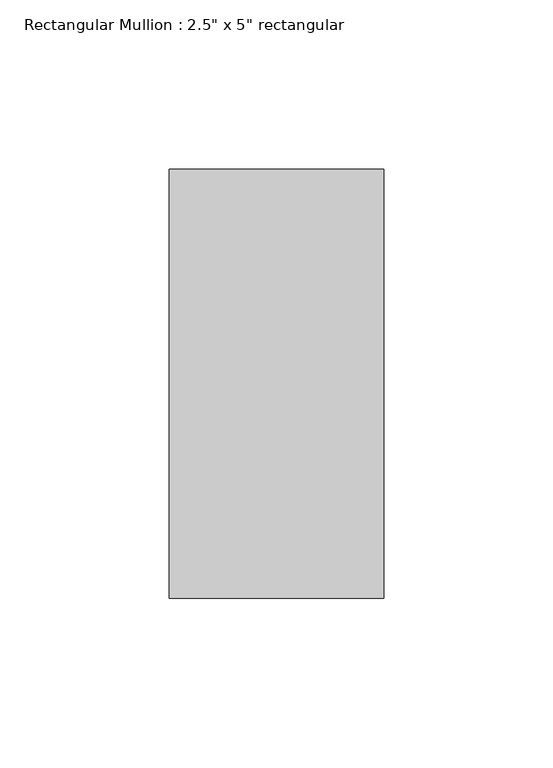
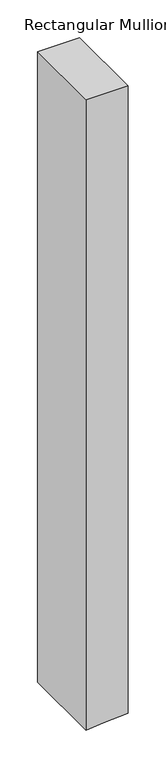
"""IFC4 building model written with IfcOpenShell, lengths in millimetres: member geometry."""

import ifcopenshell
import ifcopenshell.guid

model = None  # the IFC model being written
_history = None  # IfcOwnerHistory: only IFC2X3 demands one
_inside = {}  # id of a spatial element -> (the spatial element, [elements in it])
_under = {}  # id of a project, library or spatial element -> (it, [spatial elements below it])
_declared = {}  # id of a project -> (the project, [libraries it declares])
_typed = {}  # id of a type object -> (the type object, [elements of that type])
_made_of = {}  # id of a material, layer set ... -> (it, [elements and type objects made of it])


def new_model(schema):
    """Start an empty IFC model of exactly this schema.

    Asked for "IFC4X3", IfcOpenShell would pick the latest addendum, in which some entities
    have other attributes; the version numbers below select the first issue.
    IFC2X3 requires an IfcOwnerHistory on every rooted entity: one is made here for all.
    """
    global model, _history
    if schema == "IFC4X3":
        model = ifcopenshell.file(schema_version=(4, 3, 0, 0))
    else:
        model = ifcopenshell.file(schema=schema)
    _inside.clear()
    _under.clear()
    _declared.clear()
    _typed.clear()
    _made_of.clear()
    _history = None
    if model.schema == "IFC2X3":
        org = make("IfcOrganization", Name="unknown")
        user = make(
            "IfcPersonAndOrganization",
            ThePerson=make("IfcPerson", FamilyName="unknown"),
            TheOrganization=org,
        )
        app = make(
            "IfcApplication",
            ApplicationDeveloper=org,
            Version="unknown",
            ApplicationFullName="unknown",
            ApplicationIdentifier="unknown",
        )
        _history = make(
            "IfcOwnerHistory",
            OwningUser=user,
            OwningApplication=app,
            ChangeAction="ADDED",
            CreationDate=0,
        )
    return model


def make(cls, **values):
    """One entity of the class cls with the attributes given. An attribute that is None is left unset."""
    return model.create_entity(
        cls, **{name: value for name, value in values.items() if value is not None}
    )


def rooted(cls, **values):
    """An entity with a GlobalId (a new one), such as an element, a storey or a relation."""
    return make(cls, GlobalId=ifcopenshell.guid.new(), OwnerHistory=_history, **values)


def si_unit(unit_type, name, prefix=None):
    """IfcSIUnit, for example si_unit("LENGTHUNIT", "METRE", prefix="MILLI")."""
    return make("IfcSIUnit", UnitType=unit_type, Prefix=prefix, Name=name)


def assignment(units):
    """IfcUnitAssignment: the units of a project."""
    return None if units is None else make("IfcUnitAssignment", Units=units)


def point(xyz):
    """IfcCartesianPoint."""
    return None if xyz is None else make("IfcCartesianPoint", Coordinates=xyz)


def direction(xyz):
    """IfcDirection."""
    return None if xyz is None else make("IfcDirection", DirectionRatios=xyz)


def frame(location, z_axis=None, x_axis=None):
    """IfcAxis2Placement3D, a coordinate frame: its origin and axes. An axis left out is left unset."""
    return make(
        "IfcAxis2Placement3D",
        Location=point(location),
        Axis=direction(z_axis),
        RefDirection=direction(x_axis),
    )


def origin():
    """The frame at (0, 0, 0) with its axes left unset."""
    return frame((0.0, 0.0, 0.0))


def place(relative_to, where):
    """IfcLocalPlacement: puts the frame where relative to a parent placement (None: the world)."""
    return make(
        "IfcLocalPlacement", PlacementRelTo=relative_to, RelativePlacement=where
    )


def context(
    kind, dimensions, precision=None, world=None, true_north=None, identifier=None
):
    """IfcGeometricRepresentationContext, for example the 3D "Model" context."""
    return make(
        "IfcGeometricRepresentationContext",
        ContextIdentifier=identifier,
        ContextType=kind,
        CoordinateSpaceDimension=dimensions,
        Precision=precision,
        WorldCoordinateSystem=world,
        TrueNorth=true_north,
    )


def project(units=None, contexts=None):
    """IfcProject with its units and contexts."""
    return rooted(
        "IfcProject",
        Name="project",
        RepresentationContexts=contexts,
        UnitsInContext=assignment(units),
    )


def spatial(cls, under=None, at=None, **own):
    """A site, building, storey or space (cls), placed at a placement, below another one or the project."""
    s = rooted(cls, ObjectPlacement=at, **own)
    if under is not None:
        _under.setdefault(under.id(), (under, []))[1].append(s)
    return s


def polyline(points):
    """IfcPolyline through the points."""
    return make("IfcPolyline", Points=[point(p) for p in points])


def outline(outer, holes=None, kind="AREA"):
    """IfcArbitraryClosedProfileDef: a profile drawn as a closed curve; with holes, ...WithVoids."""
    if holes is None:
        return make("IfcArbitraryClosedProfileDef", ProfileType=kind, OuterCurve=outer)
    return make(
        "IfcArbitraryProfileDefWithVoids",
        ProfileType=kind,
        OuterCurve=outer,
        InnerCurves=holes,
    )


def extrude(swept, where, along, depth):
    """IfcExtrudedAreaSolid: the profile swept, set in the frame where, extruded along a direction by depth."""
    return make(
        "IfcExtrudedAreaSolid",
        SweptArea=swept,
        Position=where,
        ExtrudedDirection=direction(along),
        Depth=depth,
    )


def shape(context_of_items, identifier, shape_type, items):
    """IfcShapeRepresentation: the items that make up one representation, for example the "Body"."""
    return make(
        "IfcShapeRepresentation",
        ContextOfItems=context_of_items,
        RepresentationIdentifier=identifier,
        RepresentationType=shape_type,
        Items=items,
    )


def source(mapping_origin, context_of_items, identifier, shape_type, items):
    """IfcRepresentationMap: a shape defined once, which mapped items show again and again."""
    return make(
        "IfcRepresentationMap",
        MappingOrigin=mapping_origin,
        MappedRepresentation=shape(context_of_items, identifier, shape_type, items),
    )


def transform(
    local_origin,
    x_axis=None,
    y_axis=None,
    z_axis=None,
    scale=None,
    scale2=None,
    scale3=None,
    uniform=True,
):
    """IfcCartesianTransformationOperator3D, or its non-uniform kind. x_axis, y_axis, z_axis: its Axis1, 2, 3."""
    if uniform:
        return make(
            "IfcCartesianTransformationOperator3D",
            Axis1=direction(x_axis),
            Axis2=direction(y_axis),
            LocalOrigin=point(local_origin),
            Scale=scale,
            Axis3=direction(z_axis),
        )
    return make(
        "IfcCartesianTransformationOperator3DnonUniform",
        Axis1=direction(x_axis),
        Axis2=direction(y_axis),
        LocalOrigin=point(local_origin),
        Scale=scale,
        Axis3=direction(z_axis),
        Scale2=scale2,
        Scale3=scale3,
    )


def mapped(mapping_source, mapping_target):
    """IfcMappedItem: shows the shape of a source again, moved by a transform."""
    return make(
        "IfcMappedItem", MappingSource=mapping_source, MappingTarget=mapping_target
    )


def made_of(thing, what):
    """Note that an element or type object is made of a material, layer set ...; save() writes the relation."""
    if what is not None:
        _made_of.setdefault(what.id(), (what, []))[1].append(thing)
    return thing


def element(
    cls,
    number,
    at=None,
    inside=None,
    cuts=None,
    type_object=None,
    material=None,
    context=None,
    identifier="Body",
    shape_type=None,
    held_by="IfcProductDefinitionShape",
    body=None,
    shapes=None,
    **own,
):
    """One element of the class cls, such as IfcWall. Its Tag is "e" and its number.

    at: its placement. inside: the storey or other place that contains it. cuts: it is an
    opening in that element (IfcRelVoidsElement). A single representation is given by context,
    identifier, shape_type and body (its items); several are given by shapes. held_by: the class
    of the entity that holds the representations. save() writes the other relations.
    """
    e = rooted(cls, Tag="e%d" % number, ObjectPlacement=at, **own)
    if body is not None:
        shapes = [shape(context, identifier, shape_type, body)]
    if shapes is not None:
        e.Representation = make(held_by, Representations=shapes)
    if inside is not None:
        _inside.setdefault(inside.id(), (inside, []))[1].append(e)
    if cuts is not None:
        rooted(
            "IfcRelVoidsElement", RelatingBuildingElement=cuts, RelatedOpeningElement=e
        )
    if type_object is not None:
        _typed.setdefault(type_object.id(), (type_object, []))[1].append(e)
    return made_of(e, material)


def aggregate(whole, parts):
    """IfcRelAggregates: a whole, such as a stair, and the parts it consists of."""
    return rooted("IfcRelAggregates", RelatingObject=whole, RelatedObjects=parts)


def save(model, path):
    """Write the relations noted so far, then the file.

    IfcRelAggregates (storeys below a building ...), IfcRelContainedInSpatialStructure (elements
    in a storey), IfcRelDefinesByType, IfcRelAssociatesMaterial and IfcRelDeclares: one each for
    every whole, place, type object, material and project.
    """
    for whole, parts in _under.values():
        aggregate(whole, parts)
    for where, things in _inside.values():
        rooted(
            "IfcRelContainedInSpatialStructure",
            RelatedElements=things,
            RelatingStructure=where,
        )
    for kind, things in _typed.values():
        rooted("IfcRelDefinesByType", RelatedObjects=things, RelatingType=kind)
    for what, things in _made_of.values():
        rooted("IfcRelAssociatesMaterial", RelatedObjects=things, RelatingMaterial=what)
    for by, libraries in _declared.values():
        rooted("IfcRelDeclares", RelatingContext=by, RelatedDefinitions=libraries)
    model.write(path)


def member_f3ea351e(model_context):
    return source(origin(), model_context, "Body", "SweptSolid", [
        extrude(outline(polyline([(0.0, 31.75), (0.0, -31.75), (-1012.4919836, -31.75), (-1010.3785354, -5.001701), (-1007.4746942, 31.75), (0.0, 31.75)])), frame((0.0, -63.5, 0.0), z_axis=(0.0, 1.0, 0.0), x_axis=(0.0, 0.0, 1.0)), (0.0, 0.0, 1.0), 127.0),
    ])


if __name__ == "__main__":
    model = new_model("IFC4")
    model_context = context("Model", 3, world=origin())
    ifc_project = project(units=[si_unit("LENGTHUNIT", "METRE", prefix="MILLI")], contexts=[model_context])
    site = spatial("IfcSite", under=ifc_project)
    building = spatial("IfcBuilding", under=site)
    placement = place(None, origin())
    member_shape = member_f3ea351e(model_context)
    element("IfcMember", 1, ObjectType="Rectangular Mullion : 2.5\" x 5\" rectangular", at=placement, inside=building, context=model_context, shape_type="MappedRepresentation", body=[
        mapped(member_shape, transform((0.0, 0.0, 0.0), x_axis=(1.0, 0.0, 0.0), y_axis=(0.0, 1.0, 0.0), z_axis=(0.0, 0.0, 1.0))),
    ])
    save(model, "model.ifc")
